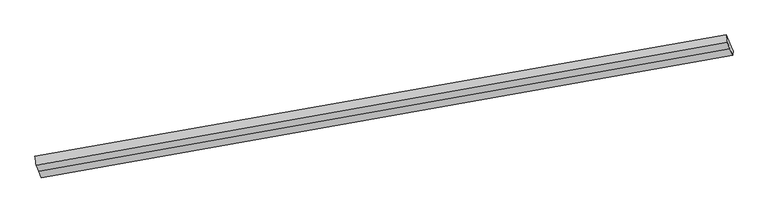
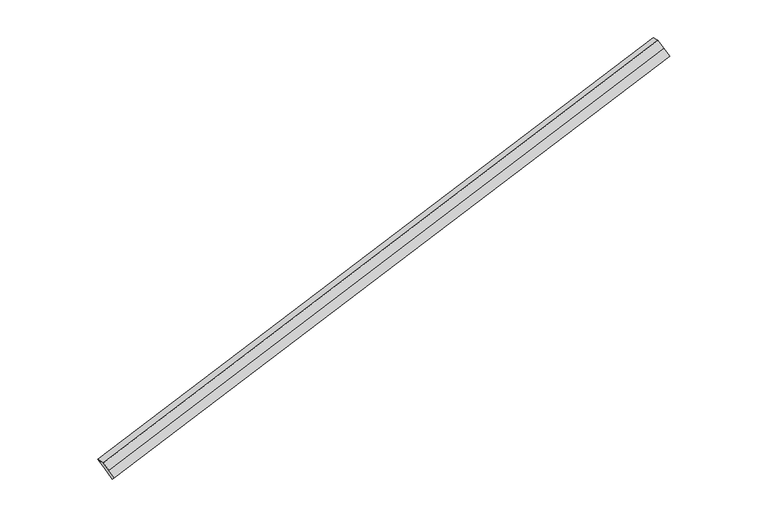
"""IFC4 building model written with IfcOpenShell, lengths in millimetres: proxy geometry."""

from ifc_helpers import new_model, si_unit, frame, origin, place, context, project, spatial, source, transform, mapped, element, save
from ifc_brep_helpers import plane_surface, spline_surface, advanced_brep


def generic_models_3515d2b7(model_context):
    return source(origin(), model_context, "Body", "AdvancedBrep", [
        advanced_brep(
        [(-9670.9949117, -2640.8721574, 94.0722029), (-9740.3641886, -2479.9896834, 249.6691006), (3872.3628915, -87.1450601, 3863.2083135), (3941.7321684, -248.0275342, 3707.6114158), (-9715.8371493, -2654.4031234, 269.6004925), (3892.6634503, -228.2692136, 3880.4499885), (-9663.3094926, -2776.2262091, 151.7797396), (3948.4951819, -357.7551693, 3755.2181189), (-9610.7818359, -2898.0492949, 33.9589867), (4004.3269135, -487.2411251, 3629.9862493), (-9601.6256348, -2801.7546315, -61.5246949), (4011.1014452, -408.9100082, 3552.014518)],
        [
            (0, 1),
            (1, 2),
            (2, 3),
            (3, 0),
            (1, 4),
            (4, 5),
            (5, 2),
            (4, 6),
            (6, 7),
            (7, 5),
            (6, 8),
            (8, 9),
            (9, 7),
            (8, 10),
            (10, 11),
            (11, 9),
            (10, 0),
            (3, 11),
        ],
        [
            plane_surface(frame((-9705.6795502, -2560.4309204, 171.8706518), z_axis=(0.06244562032114269, 0.7076252749748355, -0.7038231416481674), x_axis=(-0.2960455945951561, 0.6865942651107741, 0.6640371382970959))),
            spline_surface(1, 1, [[(-9740.3641886, -2479.9896834, 249.6691006), (3872.3628915, -87.1450601, 3863.2083135)], [(-9715.8371493, -2654.4031234, 269.6004925), (3892.6634503, -228.2692136, 3880.4499885)]], [2, 2], [2, 2], [0.0, 1.0], [0.0, 1.0]),
            plane_surface(frame((-9689.5733209, -2715.3146663, 210.6901161), z_axis=(-0.06076530372790585, -0.7073299612625645, 0.7042669265009928), x_axis=(0.2960455945953242, -0.6865942651107381, -0.6640371382970583))),
            plane_surface(frame((-9637.0456642, -2837.137752, 92.8693632), z_axis=(-0.060765303727912376, -0.7073299612625513, 0.7042669265010053), x_axis=(0.2960455945950311, -0.6865942651108032, -0.6640371382971216))),
            spline_surface(1, 1, [[(-9610.7818359, -2898.0492949, 33.9589867), (4004.3269135, -487.2411251, 3629.9862493)], [(-9601.6256348, -2801.7546315, -61.5246949), (4011.1014452, -408.9100082, 3552.014518)]], [2, 2], [2, 2], [0.0, 1.0], [0.0, 1.0]),
            plane_surface(frame((-9636.3102733, -2721.3133945, 16.273754), z_axis=(0.062445620321146686, 0.7076252749748285, -0.703823141648174), x_axis=(-0.2960455945950266, 0.6865942651108041, 0.6640371382971227))),
            plane_surface(frame((3945.1136751, -302.8913518, 3731.4147673), z_axis=(0.9532124481255124, 0.16783670991161587, 0.2514296473063819), x_axis=(0.06118034536851385, 0.7074031056780173, -0.7041575188959394))),
            plane_surface(frame((-9667.1522022, -2708.5491833, 122.9259713), z_axis=(-0.9527952880892476, -0.1632418694949386, -0.2559945918153846), x_axis=(0.29604559459512425, -0.6865942651107451, -0.6640371382971402))),
        ],
        [
            (0, [[1, 2, 3, 4]]),
            (1, [[5, 6, 7, -2]]),
            (2, [[8, 9, 10, -6]]),
            (3, [[11, 12, 13, -9]]),
            (4, [[14, 15, 16, -12]]),
            (5, [[17, -4, 18, -15]]),
            (6, [[-16, -18, -3, -7, -10, -13]]),
            (7, [[-17, -14, -11, -8, -5, -1]]),
        ],
    ),
    ])


if __name__ == "__main__":
    model = new_model("IFC4")
    model_context = context("Model", 3, world=origin())
    ifc_project = project(units=[si_unit("LENGTHUNIT", "METRE", prefix="MILLI")], contexts=[model_context])
    site = spatial("IfcSite", under=ifc_project)
    building = spatial("IfcBuilding", under=site)
    placement = place(None, origin())
    generic_models_shape = generic_models_3515d2b7(model_context)
    element("IfcBuildingElementProxy", 1, Name="Generic Models", at=placement, inside=building, context=model_context, shape_type="MappedRepresentation", body=[
        mapped(generic_models_shape, transform((0.0, 0.0, 0.0), x_axis=(1.0, 0.0, 0.0), y_axis=(0.0, 1.0, 0.0), z_axis=(0.0, 0.0, 1.0))),
    ])
    save(model, "model.ifc")
